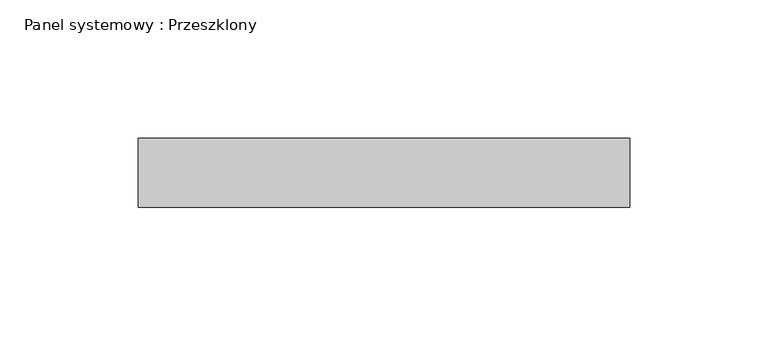
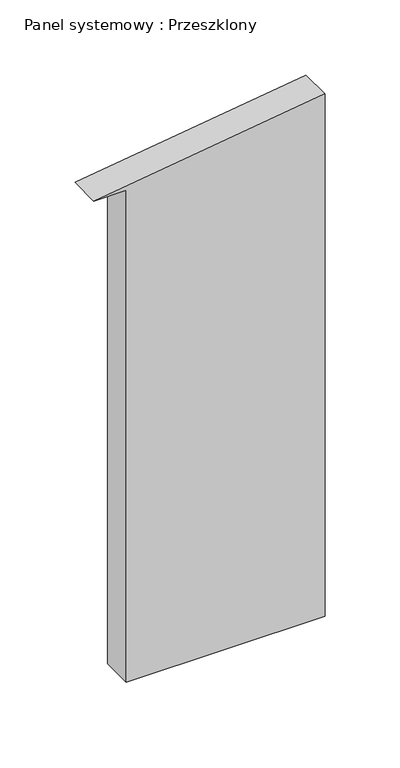
"""IFC4 building model written with IfcOpenShell, lengths in millimetres: plate geometry, Panel systemowy : Przeszklony."""

from ifc_helpers import new_model, si_unit, frame, origin, place, context, project, spatial, polyline, outline, extrude, source, transform, mapped, element, save


def panel_systemowy_przeszklony_3000ceac(model_context):
    return source(origin(), model_context, "Body", "SweptSolid", [
        extrude(outline(polyline([(0.0, -64.0), (0.0, 89.0), (425.0129984, 89.0), (399.9828659, -89.0), (399.9828659, -64.0), (0.0, -64.0)])), frame((0.0, 24.5, 0.0), z_axis=(0.0, 1.0, 0.0), x_axis=(0.0, 0.0, 1.0)), (0.0, 0.0, 1.0), 25.0),
    ])


if __name__ == "__main__":
    model = new_model("IFC4")
    model_context = context("Model", 3, world=origin())
    ifc_project = project(units=[si_unit("LENGTHUNIT", "METRE", prefix="MILLI")], contexts=[model_context])
    site = spatial("IfcSite", under=ifc_project)
    building = spatial("IfcBuilding", under=site)
    placement = place(None, origin())
    panel_systemowy_przeszklony_shape = panel_systemowy_przeszklony_3000ceac(model_context)
    element("IfcPlate", 1, ObjectType="Panel systemowy : Przeszklony", at=placement, inside=building, context=model_context, shape_type="MappedRepresentation", body=[
        mapped(panel_systemowy_przeszklony_shape, transform((0.0, 0.0, 0.0), x_axis=(1.0, 0.0, 0.0), y_axis=(0.0, 1.0, 0.0), z_axis=(0.0, 0.0, 1.0))),
    ])
    save(model, "model.ifc")
